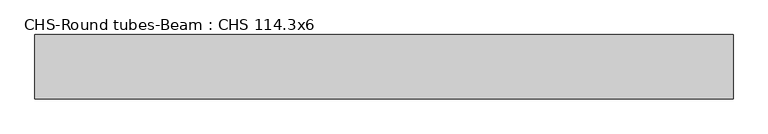
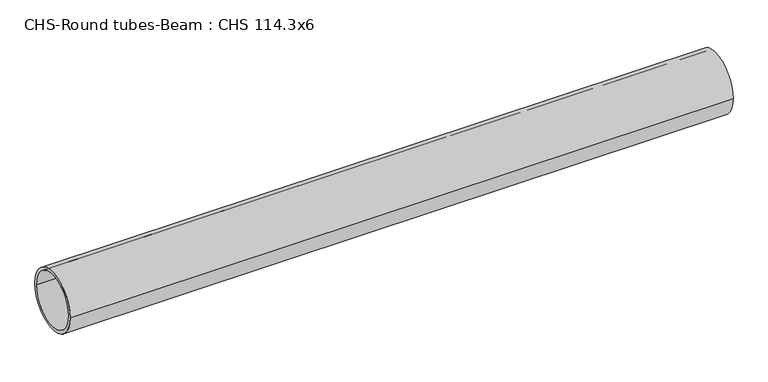
"""IFC4 building model written with IfcOpenShell, lengths in millimetres: beam geometry, CHS-Round tubes-Beam : CHS 114.3x6."""

import ifcopenshell
import ifcopenshell.guid

model = None  # the IFC model being written
_history = None  # IfcOwnerHistory: only IFC2X3 demands one
_inside = {}  # id of a spatial element -> (the spatial element, [elements in it])
_under = {}  # id of a project, library or spatial element -> (it, [spatial elements below it])
_declared = {}  # id of a project -> (the project, [libraries it declares])
_typed = {}  # id of a type object -> (the type object, [elements of that type])
_made_of = {}  # id of a material, layer set ... -> (it, [elements and type objects made of it])


def new_model(schema):
    """Start an empty IFC model of exactly this schema.

    Asked for "IFC4X3", IfcOpenShell would pick the latest addendum, in which some entities
    have other attributes; the version numbers below select the first issue.
    IFC2X3 requires an IfcOwnerHistory on every rooted entity: one is made here for all.
    """
    global model, _history
    if schema == "IFC4X3":
        model = ifcopenshell.file(schema_version=(4, 3, 0, 0))
    else:
        model = ifcopenshell.file(schema=schema)
    _inside.clear()
    _under.clear()
    _declared.clear()
    _typed.clear()
    _made_of.clear()
    _history = None
    if model.schema == "IFC2X3":
        org = make("IfcOrganization", Name="unknown")
        user = make(
            "IfcPersonAndOrganization",
            ThePerson=make("IfcPerson", FamilyName="unknown"),
            TheOrganization=org,
        )
        app = make(
            "IfcApplication",
            ApplicationDeveloper=org,
            Version="unknown",
            ApplicationFullName="unknown",
            ApplicationIdentifier="unknown",
        )
        _history = make(
            "IfcOwnerHistory",
            OwningUser=user,
            OwningApplication=app,
            ChangeAction="ADDED",
            CreationDate=0,
        )
    return model


def make(cls, **values):
    """One entity of the class cls with the attributes given. An attribute that is None is left unset."""
    return model.create_entity(
        cls, **{name: value for name, value in values.items() if value is not None}
    )


def rooted(cls, **values):
    """An entity with a GlobalId (a new one), such as an element, a storey or a relation."""
    return make(cls, GlobalId=ifcopenshell.guid.new(), OwnerHistory=_history, **values)


def si_unit(unit_type, name, prefix=None):
    """IfcSIUnit, for example si_unit("LENGTHUNIT", "METRE", prefix="MILLI")."""
    return make("IfcSIUnit", UnitType=unit_type, Prefix=prefix, Name=name)


def assignment(units):
    """IfcUnitAssignment: the units of a project."""
    return None if units is None else make("IfcUnitAssignment", Units=units)


def point(xyz):
    """IfcCartesianPoint."""
    return None if xyz is None else make("IfcCartesianPoint", Coordinates=xyz)


def direction(xyz):
    """IfcDirection."""
    return None if xyz is None else make("IfcDirection", DirectionRatios=xyz)


def frame(location, z_axis=None, x_axis=None):
    """IfcAxis2Placement3D, a coordinate frame: its origin and axes. An axis left out is left unset."""
    return make(
        "IfcAxis2Placement3D",
        Location=point(location),
        Axis=direction(z_axis),
        RefDirection=direction(x_axis),
    )


def frame_2d(location, x_axis=None):
    """IfcAxis2Placement2D, a coordinate frame in the plane: its origin and x axis."""
    return make(
        "IfcAxis2Placement2D", Location=point(location), RefDirection=direction(x_axis)
    )


def origin():
    """The frame at (0, 0, 0) with its axes left unset."""
    return frame((0.0, 0.0, 0.0))


def origin_2d():
    """The frame at (0, 0) in the plane with its x axis left unset."""
    return frame_2d((0.0, 0.0))


def place(relative_to, where):
    """IfcLocalPlacement: puts the frame where relative to a parent placement (None: the world)."""
    return make(
        "IfcLocalPlacement", PlacementRelTo=relative_to, RelativePlacement=where
    )


def context(
    kind, dimensions, precision=None, world=None, true_north=None, identifier=None
):
    """IfcGeometricRepresentationContext, for example the 3D "Model" context."""
    return make(
        "IfcGeometricRepresentationContext",
        ContextIdentifier=identifier,
        ContextType=kind,
        CoordinateSpaceDimension=dimensions,
        Precision=precision,
        WorldCoordinateSystem=world,
        TrueNorth=true_north,
    )


def project(units=None, contexts=None):
    """IfcProject with its units and contexts."""
    return rooted(
        "IfcProject",
        Name="project",
        RepresentationContexts=contexts,
        UnitsInContext=assignment(units),
    )


def spatial(cls, under=None, at=None, **own):
    """A site, building, storey or space (cls), placed at a placement, below another one or the project."""
    s = rooted(cls, ObjectPlacement=at, **own)
    if under is not None:
        _under.setdefault(under.id(), (under, []))[1].append(s)
    return s


def circle_curve(where, radius):
    """IfcCircle in the frame where."""
    return make("IfcCircle", Position=where, Radius=radius)


def trimmed(basis, trim1, trim2, sense, master):
    """IfcTrimmedCurve: the piece of a basis curve between two trims."""
    return make(
        "IfcTrimmedCurve",
        BasisCurve=basis,
        Trim1=trim1,
        Trim2=trim2,
        SenseAgreement=sense,
        MasterRepresentation=master,
    )


def segment(curve, same_sense, transition):
    """IfcCompositeCurveSegment."""
    return make(
        "IfcCompositeCurveSegment",
        Transition=transition,
        SameSense=same_sense,
        ParentCurve=curve,
    )


def composite_curve(segments, self_intersect=None):
    """IfcCompositeCurve: segments joined end to end."""
    return make("IfcCompositeCurve", Segments=segments, SelfIntersect=self_intersect)


def outline(outer, holes=None, kind="AREA"):
    """IfcArbitraryClosedProfileDef: a profile drawn as a closed curve; with holes, ...WithVoids."""
    if holes is None:
        return make("IfcArbitraryClosedProfileDef", ProfileType=kind, OuterCurve=outer)
    return make(
        "IfcArbitraryProfileDefWithVoids",
        ProfileType=kind,
        OuterCurve=outer,
        InnerCurves=holes,
    )


def extrude(swept, where, along, depth):
    """IfcExtrudedAreaSolid: the profile swept, set in the frame where, extruded along a direction by depth."""
    return make(
        "IfcExtrudedAreaSolid",
        SweptArea=swept,
        Position=where,
        ExtrudedDirection=direction(along),
        Depth=depth,
    )


def shape(context_of_items, identifier, shape_type, items):
    """IfcShapeRepresentation: the items that make up one representation, for example the "Body"."""
    return make(
        "IfcShapeRepresentation",
        ContextOfItems=context_of_items,
        RepresentationIdentifier=identifier,
        RepresentationType=shape_type,
        Items=items,
    )


def source(mapping_origin, context_of_items, identifier, shape_type, items):
    """IfcRepresentationMap: a shape defined once, which mapped items show again and again."""
    return make(
        "IfcRepresentationMap",
        MappingOrigin=mapping_origin,
        MappedRepresentation=shape(context_of_items, identifier, shape_type, items),
    )


def transform(
    local_origin,
    x_axis=None,
    y_axis=None,
    z_axis=None,
    scale=None,
    scale2=None,
    scale3=None,
    uniform=True,
):
    """IfcCartesianTransformationOperator3D, or its non-uniform kind. x_axis, y_axis, z_axis: its Axis1, 2, 3."""
    if uniform:
        return make(
            "IfcCartesianTransformationOperator3D",
            Axis1=direction(x_axis),
            Axis2=direction(y_axis),
            LocalOrigin=point(local_origin),
            Scale=scale,
            Axis3=direction(z_axis),
        )
    return make(
        "IfcCartesianTransformationOperator3DnonUniform",
        Axis1=direction(x_axis),
        Axis2=direction(y_axis),
        LocalOrigin=point(local_origin),
        Scale=scale,
        Axis3=direction(z_axis),
        Scale2=scale2,
        Scale3=scale3,
    )


def mapped(mapping_source, mapping_target):
    """IfcMappedItem: shows the shape of a source again, moved by a transform."""
    return make(
        "IfcMappedItem", MappingSource=mapping_source, MappingTarget=mapping_target
    )


def made_of(thing, what):
    """Note that an element or type object is made of a material, layer set ...; save() writes the relation."""
    if what is not None:
        _made_of.setdefault(what.id(), (what, []))[1].append(thing)
    return thing


def element(
    cls,
    number,
    at=None,
    inside=None,
    cuts=None,
    type_object=None,
    material=None,
    context=None,
    identifier="Body",
    shape_type=None,
    held_by="IfcProductDefinitionShape",
    body=None,
    shapes=None,
    **own,
):
    """One element of the class cls, such as IfcWall. Its Tag is "e" and its number.

    at: its placement. inside: the storey or other place that contains it. cuts: it is an
    opening in that element (IfcRelVoidsElement). A single representation is given by context,
    identifier, shape_type and body (its items); several are given by shapes. held_by: the class
    of the entity that holds the representations. save() writes the other relations.
    """
    e = rooted(cls, Tag="e%d" % number, ObjectPlacement=at, **own)
    if body is not None:
        shapes = [shape(context, identifier, shape_type, body)]
    if shapes is not None:
        e.Representation = make(held_by, Representations=shapes)
    if inside is not None:
        _inside.setdefault(inside.id(), (inside, []))[1].append(e)
    if cuts is not None:
        rooted(
            "IfcRelVoidsElement", RelatingBuildingElement=cuts, RelatedOpeningElement=e
        )
    if type_object is not None:
        _typed.setdefault(type_object.id(), (type_object, []))[1].append(e)
    return made_of(e, material)


def aggregate(whole, parts):
    """IfcRelAggregates: a whole, such as a stair, and the parts it consists of."""
    return rooted("IfcRelAggregates", RelatingObject=whole, RelatedObjects=parts)


def save(model, path):
    """Write the relations noted so far, then the file.

    IfcRelAggregates (storeys below a building ...), IfcRelContainedInSpatialStructure (elements
    in a storey), IfcRelDefinesByType, IfcRelAssociatesMaterial and IfcRelDeclares: one each for
    every whole, place, type object, material and project.
    """
    for whole, parts in _under.values():
        aggregate(whole, parts)
    for where, things in _inside.values():
        rooted(
            "IfcRelContainedInSpatialStructure",
            RelatedElements=things,
            RelatingStructure=where,
        )
    for kind, things in _typed.values():
        rooted("IfcRelDefinesByType", RelatedObjects=things, RelatingType=kind)
    for what, things in _made_of.values():
        rooted("IfcRelAssociatesMaterial", RelatedObjects=things, RelatingMaterial=what)
    for by, libraries in _declared.values():
        rooted("IfcRelDeclares", RelatingContext=by, RelatedDefinitions=libraries)
    model.write(path)


def chs_round_tubes_beam_chs_114_3x6_460c5bab(model_context):
    return source(origin(), model_context, "Body", "SweptSolid", [
        extrude(outline(composite_curve([segment(trimmed(circle_curve(origin_2d(), 57.15), [point((57.15, 0.0))], [point((-57.15, 0.0))], False, "CARTESIAN"), True, "CONTINUOUS"), segment(trimmed(circle_curve(origin_2d(), 57.15), [point((-57.15, 0.0))], [point((57.15, 0.0))], False, "CARTESIAN"), True, "CONTINUOUS")], self_intersect=False), holes=[composite_curve([segment(trimmed(circle_curve(origin_2d(), 51.15), [point((51.15, 0.0))], [point((-51.15, 0.0))], True, "CARTESIAN"), True, "CONTINUOUS"), segment(trimmed(circle_curve(origin_2d(), 51.15), [point((-51.15, 0.0))], [point((51.15, 0.0))], True, "CARTESIAN"), True, "CONTINUOUS")], self_intersect=False)]), frame((-621.1299885, 0.0, 0.0), z_axis=(1.0, 0.0, 0.0), x_axis=(0.0, 1.0, 0.0)), (0.0, 0.0, 1.0), 1242.2606105),
    ])


if __name__ == "__main__":
    model = new_model("IFC4")
    model_context = context("Model", 3, world=origin())
    ifc_project = project(units=[si_unit("LENGTHUNIT", "METRE", prefix="MILLI")], contexts=[model_context])
    site = spatial("IfcSite", under=ifc_project)
    building = spatial("IfcBuilding", under=site)
    placement = place(None, origin())
    chs_round_tubes_beam_chs_114_3x6_shape = chs_round_tubes_beam_chs_114_3x6_460c5bab(model_context)
    element("IfcBeam", 1, ObjectType="CHS-Round tubes-Beam : CHS 114.3x6", at=placement, inside=building, context=model_context, shape_type="MappedRepresentation", body=[
        mapped(chs_round_tubes_beam_chs_114_3x6_shape, transform((0.0, 0.0, 0.0), x_axis=(1.0, 0.0, 0.0), y_axis=(0.0, 1.0, 0.0), z_axis=(0.0, 0.0, 1.0))),
    ])
    save(model, "model.ifc")
